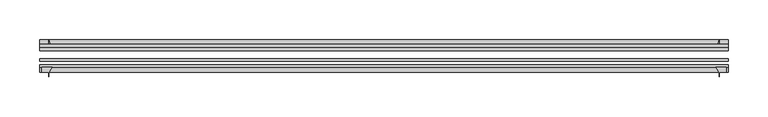
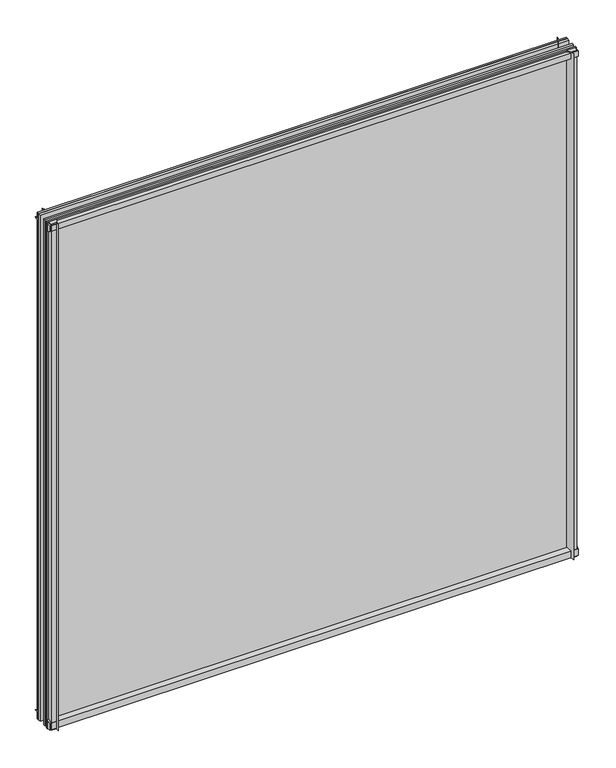
"""IFC4 building model written with IfcOpenShell, lengths in millimetres: plate geometry."""

import ifcopenshell
import ifcopenshell.guid

model = None  # the IFC model being written
_history = None  # IfcOwnerHistory: only IFC2X3 demands one
_inside = {}  # id of a spatial element -> (the spatial element, [elements in it])
_under = {}  # id of a project, library or spatial element -> (it, [spatial elements below it])
_declared = {}  # id of a project -> (the project, [libraries it declares])
_typed = {}  # id of a type object -> (the type object, [elements of that type])
_made_of = {}  # id of a material, layer set ... -> (it, [elements and type objects made of it])


def new_model(schema):
    """Start an empty IFC model of exactly this schema.

    Asked for "IFC4X3", IfcOpenShell would pick the latest addendum, in which some entities
    have other attributes; the version numbers below select the first issue.
    IFC2X3 requires an IfcOwnerHistory on every rooted entity: one is made here for all.
    """
    global model, _history
    if schema == "IFC4X3":
        model = ifcopenshell.file(schema_version=(4, 3, 0, 0))
    else:
        model = ifcopenshell.file(schema=schema)
    _inside.clear()
    _under.clear()
    _declared.clear()
    _typed.clear()
    _made_of.clear()
    _history = None
    if model.schema == "IFC2X3":
        org = make("IfcOrganization", Name="unknown")
        user = make(
            "IfcPersonAndOrganization",
            ThePerson=make("IfcPerson", FamilyName="unknown"),
            TheOrganization=org,
        )
        app = make(
            "IfcApplication",
            ApplicationDeveloper=org,
            Version="unknown",
            ApplicationFullName="unknown",
            ApplicationIdentifier="unknown",
        )
        _history = make(
            "IfcOwnerHistory",
            OwningUser=user,
            OwningApplication=app,
            ChangeAction="ADDED",
            CreationDate=0,
        )
    return model


def make(cls, **values):
    """One entity of the class cls with the attributes given. An attribute that is None is left unset."""
    return model.create_entity(
        cls, **{name: value for name, value in values.items() if value is not None}
    )


def rooted(cls, **values):
    """An entity with a GlobalId (a new one), such as an element, a storey or a relation."""
    return make(cls, GlobalId=ifcopenshell.guid.new(), OwnerHistory=_history, **values)


def si_unit(unit_type, name, prefix=None):
    """IfcSIUnit, for example si_unit("LENGTHUNIT", "METRE", prefix="MILLI")."""
    return make("IfcSIUnit", UnitType=unit_type, Prefix=prefix, Name=name)


def assignment(units):
    """IfcUnitAssignment: the units of a project."""
    return None if units is None else make("IfcUnitAssignment", Units=units)


def point(xyz):
    """IfcCartesianPoint."""
    return None if xyz is None else make("IfcCartesianPoint", Coordinates=xyz)


def direction(xyz):
    """IfcDirection."""
    return None if xyz is None else make("IfcDirection", DirectionRatios=xyz)


def frame(location, z_axis=None, x_axis=None):
    """IfcAxis2Placement3D, a coordinate frame: its origin and axes. An axis left out is left unset."""
    return make(
        "IfcAxis2Placement3D",
        Location=point(location),
        Axis=direction(z_axis),
        RefDirection=direction(x_axis),
    )


def frame_2d(location, x_axis=None):
    """IfcAxis2Placement2D, a coordinate frame in the plane: its origin and x axis."""
    return make(
        "IfcAxis2Placement2D", Location=point(location), RefDirection=direction(x_axis)
    )


def origin():
    """The frame at (0, 0, 0) with its axes left unset."""
    return frame((0.0, 0.0, 0.0))


def place(relative_to, where):
    """IfcLocalPlacement: puts the frame where relative to a parent placement (None: the world)."""
    return make(
        "IfcLocalPlacement", PlacementRelTo=relative_to, RelativePlacement=where
    )


def context(
    kind, dimensions, precision=None, world=None, true_north=None, identifier=None
):
    """IfcGeometricRepresentationContext, for example the 3D "Model" context."""
    return make(
        "IfcGeometricRepresentationContext",
        ContextIdentifier=identifier,
        ContextType=kind,
        CoordinateSpaceDimension=dimensions,
        Precision=precision,
        WorldCoordinateSystem=world,
        TrueNorth=true_north,
    )


def project(units=None, contexts=None):
    """IfcProject with its units and contexts."""
    return rooted(
        "IfcProject",
        Name="project",
        RepresentationContexts=contexts,
        UnitsInContext=assignment(units),
    )


def spatial(cls, under=None, at=None, **own):
    """A site, building, storey or space (cls), placed at a placement, below another one or the project."""
    s = rooted(cls, ObjectPlacement=at, **own)
    if under is not None:
        _under.setdefault(under.id(), (under, []))[1].append(s)
    return s


def polyline(points):
    """IfcPolyline through the points."""
    return make("IfcPolyline", Points=[point(p) for p in points])


def circle_curve(where, radius):
    """IfcCircle in the frame where."""
    return make("IfcCircle", Position=where, Radius=radius)


def trimmed(basis, trim1, trim2, sense, master):
    """IfcTrimmedCurve: the piece of a basis curve between two trims."""
    return make(
        "IfcTrimmedCurve",
        BasisCurve=basis,
        Trim1=trim1,
        Trim2=trim2,
        SenseAgreement=sense,
        MasterRepresentation=master,
    )


def segment(curve, same_sense, transition):
    """IfcCompositeCurveSegment."""
    return make(
        "IfcCompositeCurveSegment",
        Transition=transition,
        SameSense=same_sense,
        ParentCurve=curve,
    )


def composite_curve(segments, self_intersect=None):
    """IfcCompositeCurve: segments joined end to end."""
    return make("IfcCompositeCurve", Segments=segments, SelfIntersect=self_intersect)


def outline(outer, holes=None, kind="AREA"):
    """IfcArbitraryClosedProfileDef: a profile drawn as a closed curve; with holes, ...WithVoids."""
    if holes is None:
        return make("IfcArbitraryClosedProfileDef", ProfileType=kind, OuterCurve=outer)
    return make(
        "IfcArbitraryProfileDefWithVoids",
        ProfileType=kind,
        OuterCurve=outer,
        InnerCurves=holes,
    )


def extrude(swept, where, along, depth):
    """IfcExtrudedAreaSolid: the profile swept, set in the frame where, extruded along a direction by depth."""
    return make(
        "IfcExtrudedAreaSolid",
        SweptArea=swept,
        Position=where,
        ExtrudedDirection=direction(along),
        Depth=depth,
    )


def shape(context_of_items, identifier, shape_type, items):
    """IfcShapeRepresentation: the items that make up one representation, for example the "Body"."""
    return make(
        "IfcShapeRepresentation",
        ContextOfItems=context_of_items,
        RepresentationIdentifier=identifier,
        RepresentationType=shape_type,
        Items=items,
    )


def source(mapping_origin, context_of_items, identifier, shape_type, items):
    """IfcRepresentationMap: a shape defined once, which mapped items show again and again."""
    return make(
        "IfcRepresentationMap",
        MappingOrigin=mapping_origin,
        MappedRepresentation=shape(context_of_items, identifier, shape_type, items),
    )


def transform(
    local_origin,
    x_axis=None,
    y_axis=None,
    z_axis=None,
    scale=None,
    scale2=None,
    scale3=None,
    uniform=True,
):
    """IfcCartesianTransformationOperator3D, or its non-uniform kind. x_axis, y_axis, z_axis: its Axis1, 2, 3."""
    if uniform:
        return make(
            "IfcCartesianTransformationOperator3D",
            Axis1=direction(x_axis),
            Axis2=direction(y_axis),
            LocalOrigin=point(local_origin),
            Scale=scale,
            Axis3=direction(z_axis),
        )
    return make(
        "IfcCartesianTransformationOperator3DnonUniform",
        Axis1=direction(x_axis),
        Axis2=direction(y_axis),
        LocalOrigin=point(local_origin),
        Scale=scale,
        Axis3=direction(z_axis),
        Scale2=scale2,
        Scale3=scale3,
    )


def mapped(mapping_source, mapping_target):
    """IfcMappedItem: shows the shape of a source again, moved by a transform."""
    return make(
        "IfcMappedItem", MappingSource=mapping_source, MappingTarget=mapping_target
    )


def made_of(thing, what):
    """Note that an element or type object is made of a material, layer set ...; save() writes the relation."""
    if what is not None:
        _made_of.setdefault(what.id(), (what, []))[1].append(thing)
    return thing


def element(
    cls,
    number,
    at=None,
    inside=None,
    cuts=None,
    type_object=None,
    material=None,
    context=None,
    identifier="Body",
    shape_type=None,
    held_by="IfcProductDefinitionShape",
    body=None,
    shapes=None,
    **own,
):
    """One element of the class cls, such as IfcWall. Its Tag is "e" and its number.

    at: its placement. inside: the storey or other place that contains it. cuts: it is an
    opening in that element (IfcRelVoidsElement). A single representation is given by context,
    identifier, shape_type and body (its items); several are given by shapes. held_by: the class
    of the entity that holds the representations. save() writes the other relations.
    """
    e = rooted(cls, Tag="e%d" % number, ObjectPlacement=at, **own)
    if body is not None:
        shapes = [shape(context, identifier, shape_type, body)]
    if shapes is not None:
        e.Representation = make(held_by, Representations=shapes)
    if inside is not None:
        _inside.setdefault(inside.id(), (inside, []))[1].append(e)
    if cuts is not None:
        rooted(
            "IfcRelVoidsElement", RelatingBuildingElement=cuts, RelatedOpeningElement=e
        )
    if type_object is not None:
        _typed.setdefault(type_object.id(), (type_object, []))[1].append(e)
    return made_of(e, material)


def aggregate(whole, parts):
    """IfcRelAggregates: a whole, such as a stair, and the parts it consists of."""
    return rooted("IfcRelAggregates", RelatingObject=whole, RelatedObjects=parts)


def save(model, path):
    """Write the relations noted so far, then the file.

    IfcRelAggregates (storeys below a building ...), IfcRelContainedInSpatialStructure (elements
    in a storey), IfcRelDefinesByType, IfcRelAssociatesMaterial and IfcRelDeclares: one each for
    every whole, place, type object, material and project.
    """
    for whole, parts in _under.values():
        aggregate(whole, parts)
    for where, things in _inside.values():
        rooted(
            "IfcRelContainedInSpatialStructure",
            RelatedElements=things,
            RelatingStructure=where,
        )
    for kind, things in _typed.values():
        rooted("IfcRelDefinesByType", RelatedObjects=things, RelatingType=kind)
    for what, things in _made_of.values():
        rooted("IfcRelAssociatesMaterial", RelatedObjects=things, RelatingMaterial=what)
    for by, libraries in _declared.values():
        rooted("IfcRelDeclares", RelatingContext=by, RelatedDefinitions=libraries)
    model.write(path)


def plate_c18aa183(model_context):
    return source(origin(), model_context, "Body", "SweptSolid", [
        extrude(outline(composite_curve([segment(trimmed(circle_curve(frame_2d((-80.4922797, 17.8701603)), 18.6769817), [point((-74.641075, 0.1333891))], [point((-68.291075, 3.72943))], True, "CARTESIAN"), True, "CONTINUOUS"), segment(polyline([(-68.291075, 3.72943), (-68.291075, -11.11885), (-74.641075, -11.11885), (-74.641075, 0.1333891)]), True, "CONTINUOUS")], self_intersect=False)), frame((-433.3874999, 0.0, 0.0), z_axis=(1.0, 0.0, 0.0), x_axis=(0.0, 1.0, 0.0)), (0.0, 0.0, 1.0), 866.7749997),
        extrude(outline(composite_curve([segment(polyline([(-42.891075, -11.90625), (-42.891075, 3.8539528)]), True, "CONTINUOUS"), segment(trimmed(circle_curve(frame_2d((-26.637892, 29.5913262)), 30.4397495), [point((-42.891075, 3.8539528))], [point((-33.7745413, 0.0))], True, "CARTESIAN"), True, "CONTINUOUS"), segment(polyline([(-33.7745413, 0.0), (-39.690675, 0.0), (-39.690675, -11.90625), (-42.891075, -11.90625)]), True, "CONTINUOUS")], self_intersect=False)), frame((-433.3874999, 0.0, 0.0), z_axis=(1.0, 0.0, 0.0), x_axis=(0.0, 1.0, 0.0)), (0.0, 0.0, 1.0), 866.7749997),
        extrude(outline(composite_curve([segment(polyline([(-42.891075, 850.2083472), (-42.891075, 865.1875), (-39.690675, 865.1875), (-39.690675, 854.075), (-33.721675, 854.075)]), True, "CONTINUOUS"), segment(trimmed(circle_curve(frame_2d((-26.637892, 824.4709738)), 30.4397495), [point((-33.721675, 854.075))], [point((-42.891075, 850.2083472))], True, "CARTESIAN"), True, "CONTINUOUS")], self_intersect=False)), frame((-433.3874999, 0.0, 0.0), z_axis=(1.0, 0.0, 0.0), x_axis=(0.0, 1.0, 0.0)), (0.0, 0.0, 1.0), 866.7749997),
        extrude(outline(composite_curve([segment(polyline([(-68.291075, 862.8126), (-68.291075, 849.53912)]), True, "CONTINUOUS"), segment(trimmed(circle_curve(frame_2d((-80.4922797, 835.3983897)), 18.6769817), [point((-68.291075, 849.53912))], [point((-74.641075, 853.1351609))], True, "CARTESIAN"), True, "CONTINUOUS"), segment(polyline([(-74.641075, 853.1351609), (-74.641075, 862.8126), (-68.291075, 862.8126)]), True, "CONTINUOUS")], self_intersect=False)), frame((-433.3874999, 0.0, 0.0), z_axis=(1.0, 0.0, 0.0), x_axis=(0.0, 1.0, 0.0)), (0.0, 0.0, 1.0), 866.7749997),
        extrude(outline(composite_curve([segment(polyline([(417.7391198, -68.291075), (431.0125999, -68.291075), (431.0125999, -74.641075), (422.2749999, -74.641075), (422.2749999, -80.3744844)]), True, "CONTINUOUS"), segment(trimmed(circle_curve(frame_2d((403.5983896, -80.4922797)), 18.6769817), [point((422.2749999, -80.3744844))], [point((417.7391198, -68.291075))], True, "CARTESIAN"), True, "CONTINUOUS")], self_intersect=False)), frame((0.0, 0.0, -11.90625), z_axis=(0.0, 0.0, 1.0), x_axis=(1.0, 0.0, 0.0)), (0.0, 0.0, 1.0), 877.09375),
        extrude(outline(composite_curve([segment(trimmed(circle_curve(frame_2d((392.6709736, -26.637892)), 30.4397495), [point((418.4083471, -42.891075))], [point((422.2749999, -33.721675))], True, "CARTESIAN"), True, "CONTINUOUS"), segment(polyline([(422.2749999, -33.721675), (422.2749999, -39.690675), (433.3874999, -39.690675), (433.3874999, -42.891075), (418.4083471, -42.891075)]), True, "CONTINUOUS")], self_intersect=False)), frame((0.0, 0.0, -11.90625), z_axis=(0.0, 0.0, 1.0), x_axis=(1.0, 0.0, 0.0)), (0.0, 0.0, 1.0), 877.09375),
        extrude(outline(composite_curve([segment(trimmed(circle_curve(frame_2d((-403.5983896, -80.4922797)), 18.6769817), [point((-417.7391198, -68.291075))], [point((-422.2749999, -80.3744844))], True, "CARTESIAN"), True, "CONTINUOUS"), segment(polyline([(-422.2749999, -80.3744844), (-422.2749999, -74.641075), (-431.0125999, -74.641075), (-431.0125999, -68.291075), (-417.7391198, -68.291075)]), True, "CONTINUOUS")], self_intersect=False)), frame((0.0, 0.0, -11.90625), z_axis=(0.0, 0.0, 1.0), x_axis=(1.0, 0.0, 0.0)), (0.0, 0.0, 1.0), 877.09375),
        extrude(outline(composite_curve([segment(polyline([(-418.4083471, -42.891075), (-433.3874999, -42.891075), (-433.3874999, -39.690675), (-422.2749999, -39.690675), (-422.2749999, -33.721675)]), True, "CONTINUOUS"), segment(trimmed(circle_curve(frame_2d((-392.6709736, -26.637892)), 30.4397495), [point((-422.2749999, -33.721675))], [point((-418.4083471, -42.891075))], True, "CARTESIAN"), True, "CONTINUOUS")], self_intersect=False)), frame((0.0, 0.0, -11.90625), z_axis=(0.0, 0.0, 1.0), x_axis=(1.0, 0.0, 0.0)), (0.0, 0.0, 1.0), 877.09375),
        extrude(outline(polyline([(-433.3874999, -42.891075), (433.3874999, -42.891075), (433.3874999, -47.653575), (-433.3874999, -47.653575), (-433.3874999, -42.891075)])), frame((0.0, 0.0, -11.90625), z_axis=(0.0, 0.0, 1.0), x_axis=(1.0, 0.0, 0.0)), (0.0, 0.0, 1.0), 877.09375),
        extrude(outline(polyline([(433.3874999, -57.369075), (433.3874999, -60.544075), (-433.3874999, -60.544075), (-433.3874999, -57.369075), (433.3874999, -57.369075)])), frame((0.0, 0.0, -11.90625), z_axis=(0.0, 0.0, 1.0), x_axis=(1.0, 0.0, 0.0)), (0.0, 0.0, 1.0), 877.09375),
        extrude(outline(polyline([(-433.3874999, -65.116075), (433.3874999, -65.116075), (433.3874999, -68.291075), (-433.3874999, -68.291075), (-433.3874999, -65.116075)])), frame((0.0, 0.0, -11.90625), z_axis=(0.0, 0.0, 1.0), x_axis=(1.0, 0.0, 0.0)), (0.0, 0.0, 1.0), 877.09375),
    ])


if __name__ == "__main__":
    model = new_model("IFC4")
    model_context = context("Model", 3, world=origin())
    ifc_project = project(units=[si_unit("LENGTHUNIT", "METRE", prefix="MILLI")], contexts=[model_context])
    site = spatial("IfcSite", under=ifc_project)
    building = spatial("IfcBuilding", under=site)
    placement = place(None, origin())
    plate_shape = plate_c18aa183(model_context)
    element("IfcPlate", 1, at=placement, inside=building, context=model_context, shape_type="MappedRepresentation", body=[
        mapped(plate_shape, transform((0.0, 0.0, 0.0), x_axis=(1.0, 0.0, 0.0), y_axis=(0.0, 1.0, 0.0), z_axis=(0.0, 0.0, 1.0))),
    ])
    save(model, "model.ifc")
